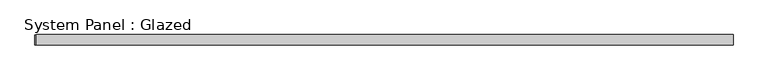
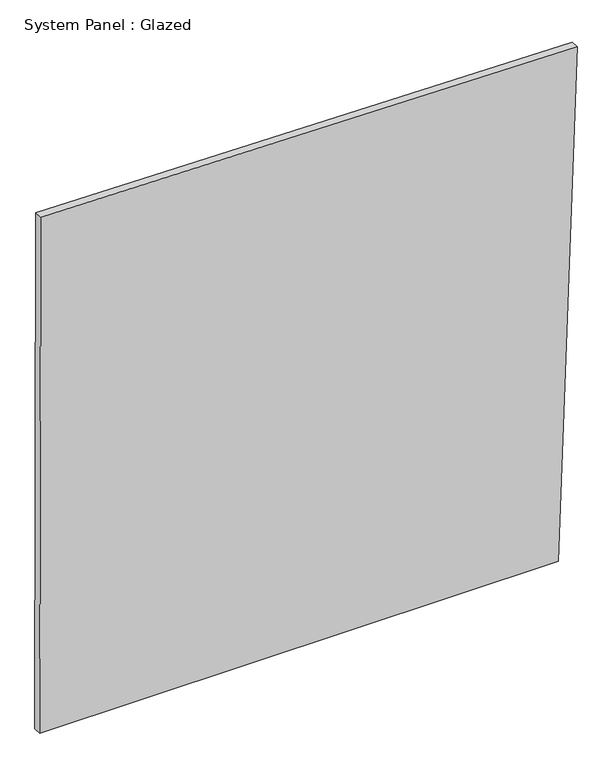
"""IFC4 building model written with IfcOpenShell, lengths in millimetres: plate geometry, System Panel : Glazed."""

from ifc_helpers import new_model, si_unit, frame, origin, place, context, project, spatial, polyline, outline, extrude, source, transform, mapped, element, save


def system_panel_glazed_29be1cf2(model_context):
    return source(origin(), model_context, "Body", "SweptSolid", [
        extrude(outline(polyline([(0.0, -839.9391646), (0.0, 780.9707495), (1678.9214221, 839.9391646), (1703.647883, -836.544741), (0.0, -839.9391646)])), frame((0.0, 24.5, 0.0), z_axis=(0.0, 1.0, 0.0), x_axis=(0.0, 0.0, 1.0)), (0.0, 0.0, 1.0), 25.0),
    ])


if __name__ == "__main__":
    model = new_model("IFC4")
    model_context = context("Model", 3, world=origin())
    ifc_project = project(units=[si_unit("LENGTHUNIT", "METRE", prefix="MILLI")], contexts=[model_context])
    site = spatial("IfcSite", under=ifc_project)
    building = spatial("IfcBuilding", under=site)
    placement = place(None, origin())
    system_panel_glazed_shape = system_panel_glazed_29be1cf2(model_context)
    element("IfcPlate", 1, ObjectType="System Panel : Glazed", at=placement, inside=building, context=model_context, shape_type="MappedRepresentation", body=[
        mapped(system_panel_glazed_shape, transform((0.0, 0.0, 0.0), x_axis=(1.0, 0.0, 0.0), y_axis=(0.0, 1.0, 0.0), z_axis=(0.0, 0.0, 1.0))),
    ])
    save(model, "model.ifc")
